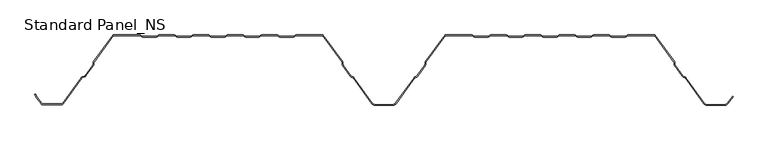
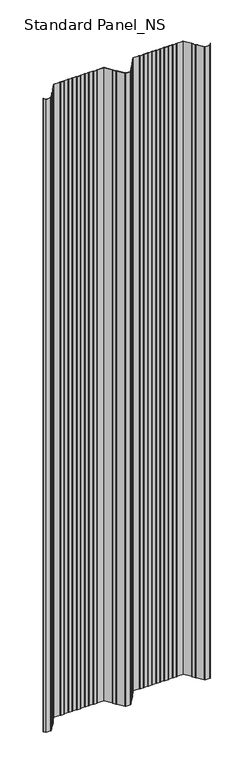
"""IFC4 building model written with IfcOpenShell, lengths in millimetres: proxy geometry, Standard Panel_NS."""

from ifc_helpers import new_model, si_unit, point, frame_2d, origin, origin_with_axes, place, context, project, spatial, polyline, circle_curve, trimmed, segment, composite_curve, outline, extrude, source, transform, mapped, element, save


def standard_panel_ns_f752abc9(model_context):
    return source(origin(), model_context, "Body", "SweptSolid", [
        extrude(outline(composite_curve([segment(polyline([(-477.8230656, -98.864737), (-484.391455, -89.8048897), (-486.5883845, -85.4014829), (-485.6935696, -84.9550455), (-483.5334489, -89.2846747), (-477.0134552, -98.2777695)]), True, "CONTINUOUS"), segment(trimmed(circle_curve(frame_2d((-475.5977664, -97.2513951)), 1.7486049), [point((-477.0134552, -98.2777695))], [point((-475.5977664, -99.0))], True, "CARTESIAN"), True, "CONTINUOUS"), segment(polyline([(-475.5977664, -99.0), (-448.4022336, -99.0)]), True, "CONTINUOUS"), segment(trimmed(circle_curve(frame_2d((-448.4022336, -97.2513951)), 1.7486049), [point((-448.4022336, -99.0))], [point((-446.9865448, -98.2777695))], True, "CARTESIAN"), True, "CONTINUOUS"), segment(polyline([(-446.9865448, -98.2777695), (-420.1908292, -61.3181617)]), True, "CONTINUOUS"), segment(trimmed(circle_curve(frame_2d((-417.96553, -62.9315037)), 2.7486049), [point((-420.1908292, -61.3181617))], [point((-418.9221697, -60.3547481))], False, "CARTESIAN"), True, "CONTINUOUS"), segment(polyline([(-418.9221697, -60.3547481), (-415.1284966, -58.9463185)]), True, "CONTINUOUS"), segment(trimmed(circle_curve(frame_2d((-415.7370908, -57.3070406)), 1.7486049), [point((-415.1284966, -58.9463185))], [point((-414.321402, -58.333415))], True, "CARTESIAN"), True, "CONTINUOUS"), segment(polyline([(-414.321402, -58.333415), (-403.5718646, -43.5064668)]), True, "CONTINUOUS"), segment(trimmed(circle_curve(frame_2d((-404.9875533, -42.4800924)), 1.7486049), [point((-403.5718646, -43.5064668))], [point((-403.240299, -42.5488047))], True, "CARTESIAN"), True, "CONTINUOUS"), segment(polyline([(-403.240299, -42.5488047), (-403.1521237, -40.3066321)]), True, "CONTINUOUS"), segment(trimmed(circle_curve(frame_2d((-400.4056417, -40.4146398)), 2.7486049), [point((-403.1521237, -40.3066321))], [point((-402.6309409, -38.8012978))], False, "CARTESIAN"), True, "CONTINUOUS"), segment(polyline([(-402.6309409, -38.8012978), (-374.5, 0.0), (-336.1655439, 0.0)]), True, "CONTINUOUS"), segment(trimmed(circle_curve(frame_2d((-336.1655439, -2.7486049)), 2.7486049), [point((-336.1655439, 0.0))], [point((-334.6408923, -0.4616274))], False, "CARTESIAN"), True, "CONTINUOUS"), segment(polyline([(-334.6408923, -0.4616274), (-332.7738498, -1.7063223)]), True, "CONTINUOUS"), segment(trimmed(circle_curve(frame_2d((-331.8038984, -0.2513951)), 1.7486049), [point((-332.7738498, -1.7063223))], [point((-331.8038984, -2.0))], True, "CARTESIAN"), True, "CONTINUOUS"), segment(polyline([(-331.8038984, -2.0), (-312.8627683, -2.0)]), True, "CONTINUOUS"), segment(trimmed(circle_curve(frame_2d((-312.8627683, -0.2513951)), 1.7486049), [point((-312.8627683, -2.0))], [point((-311.8928168, -1.7063223))], True, "CARTESIAN"), True, "CONTINUOUS"), segment(polyline([(-311.8928168, -1.7063223), (-310.0257744, -0.4616274)]), True, "CONTINUOUS"), segment(trimmed(circle_curve(frame_2d((-308.5011227, -2.7486049)), 2.7486049), [point((-310.0257744, -0.4616274))], [point((-308.5011227, 0.0))], False, "CARTESIAN"), True, "CONTINUOUS"), segment(polyline([(-308.5011227, 0.0), (-286.9988773, 0.0)]), True, "CONTINUOUS"), segment(trimmed(circle_curve(frame_2d((-286.9988773, -2.7486049)), 2.7486049), [point((-286.9988773, 0.0))], [point((-285.4742256, -0.4616274))], False, "CARTESIAN"), True, "CONTINUOUS"), segment(polyline([(-285.4742256, -0.4616274), (-283.6071832, -1.7063223)]), True, "CONTINUOUS"), segment(trimmed(circle_curve(frame_2d((-282.6372317, -0.2513951)), 1.7486049), [point((-283.6071832, -1.7063223))], [point((-282.6372317, -2.0))], True, "CARTESIAN"), True, "CONTINUOUS"), segment(polyline([(-282.6372317, -2.0), (-263.6961016, -2.0)]), True, "CONTINUOUS"), segment(trimmed(circle_curve(frame_2d((-263.6961016, -0.2513951)), 1.7486049), [point((-263.6961016, -2.0))], [point((-262.7261502, -1.7063223))], True, "CARTESIAN"), True, "CONTINUOUS"), segment(polyline([(-262.7261502, -1.7063223), (-260.8591077, -0.4616274)]), True, "CONTINUOUS"), segment(trimmed(circle_curve(frame_2d((-259.3344561, -2.7486049)), 2.7486049), [point((-260.8591077, -0.4616274))], [point((-259.3344561, 0.0))], False, "CARTESIAN"), True, "CONTINUOUS"), segment(polyline([(-259.3344561, 0.0), (-237.8322106, 0.0)]), True, "CONTINUOUS"), segment(trimmed(circle_curve(frame_2d((-237.8322106, -2.7486049)), 2.7486049), [point((-237.8322106, 0.0))], [point((-236.3075589, -0.4616274))], False, "CARTESIAN"), True, "CONTINUOUS"), segment(polyline([(-236.3075589, -0.4616274), (-234.4405165, -1.7063223)]), True, "CONTINUOUS"), segment(trimmed(circle_curve(frame_2d((-233.470565, -0.2513951)), 1.7486049), [point((-234.4405165, -1.7063223))], [point((-233.470565, -2.0))], True, "CARTESIAN"), True, "CONTINUOUS"), segment(polyline([(-233.470565, -2.0), (-214.529435, -2.0)]), True, "CONTINUOUS"), segment(trimmed(circle_curve(frame_2d((-214.529435, -0.2513951)), 1.7486049), [point((-214.529435, -2.0))], [point((-213.5594835, -1.7063223))], True, "CARTESIAN"), True, "CONTINUOUS"), segment(polyline([(-213.5594835, -1.7063223), (-211.6924411, -0.4616274)]), True, "CONTINUOUS"), segment(trimmed(circle_curve(frame_2d((-210.1677894, -2.7486049)), 2.7486049), [point((-211.6924411, -0.4616274))], [point((-210.1677894, 0.0))], False, "CARTESIAN"), True, "CONTINUOUS"), segment(polyline([(-210.1677894, 0.0), (-188.6655439, 0.0)]), True, "CONTINUOUS"), segment(trimmed(circle_curve(frame_2d((-188.6655439, -2.7486049)), 2.7486049), [point((-188.6655439, 0.0))], [point((-187.1408923, -0.4616274))], False, "CARTESIAN"), True, "CONTINUOUS"), segment(polyline([(-187.1408923, -0.4616274), (-185.2738498, -1.7063223)]), True, "CONTINUOUS"), segment(trimmed(circle_curve(frame_2d((-184.3038984, -0.2513951)), 1.7486049), [point((-185.2738498, -1.7063223))], [point((-184.3038984, -2.0))], True, "CARTESIAN"), True, "CONTINUOUS"), segment(polyline([(-184.3038984, -2.0), (-165.3627683, -2.0)]), True, "CONTINUOUS"), segment(trimmed(circle_curve(frame_2d((-165.3627683, -0.2513951)), 1.7486049), [point((-165.3627683, -2.0))], [point((-164.3928168, -1.7063223))], True, "CARTESIAN"), True, "CONTINUOUS"), segment(polyline([(-164.3928168, -1.7063223), (-162.5257744, -0.4616274)]), True, "CONTINUOUS"), segment(trimmed(circle_curve(frame_2d((-161.0011227, -2.7486049)), 2.7486049), [point((-162.5257744, -0.4616274))], [point((-161.0011227, 0.0))], False, "CARTESIAN"), True, "CONTINUOUS"), segment(polyline([(-161.0011227, 0.0), (-139.4988773, 0.0)]), True, "CONTINUOUS"), segment(trimmed(circle_curve(frame_2d((-139.4988773, -2.7486049)), 2.7486049), [point((-139.4988773, 0.0))], [point((-137.9742256, -0.4616274))], False, "CARTESIAN"), True, "CONTINUOUS"), segment(polyline([(-137.9742256, -0.4616274), (-136.1071832, -1.7063223)]), True, "CONTINUOUS"), segment(trimmed(circle_curve(frame_2d((-135.1372317, -0.2513951)), 1.7486049), [point((-136.1071832, -1.7063223))], [point((-135.1372317, -2.0))], True, "CARTESIAN"), True, "CONTINUOUS"), segment(polyline([(-135.1372317, -2.0), (-116.1961016, -2.0)]), True, "CONTINUOUS"), segment(trimmed(circle_curve(frame_2d((-116.1961016, -0.2513951)), 1.7486049), [point((-116.1961016, -2.0))], [point((-115.2261502, -1.7063223))], True, "CARTESIAN"), True, "CONTINUOUS"), segment(polyline([(-115.2261502, -1.7063223), (-113.3591077, -0.4616274)]), True, "CONTINUOUS"), segment(trimmed(circle_curve(frame_2d((-111.8344561, -2.7486049)), 2.7486049), [point((-113.3591077, -0.4616274))], [point((-111.8344561, 0.0))], False, "CARTESIAN"), True, "CONTINUOUS"), segment(polyline([(-111.8344561, 0.0), (-73.5, 0.0), (-45.3690591, -38.8012978)]), True, "CONTINUOUS"), segment(trimmed(circle_curve(frame_2d((-47.5943583, -40.4146398)), 2.7486049), [point((-45.3690591, -38.8012978))], [point((-44.8478763, -40.3066321))], False, "CARTESIAN"), True, "CONTINUOUS"), segment(polyline([(-44.8478763, -40.3066321), (-44.759701, -42.5488047)]), True, "CONTINUOUS"), segment(trimmed(circle_curve(frame_2d((-43.0124467, -42.4800924)), 1.7486049), [point((-44.759701, -42.5488047))], [point((-44.4281354, -43.5064668))], True, "CARTESIAN"), True, "CONTINUOUS"), segment(polyline([(-44.4281354, -43.5064668), (-33.3103063, -58.8414035)]), True, "CONTINUOUS"), segment(trimmed(circle_curve(frame_2d((-31.8946175, -57.8150291)), 1.7486049), [point((-33.3103063, -58.8414035))], [point((-32.5032117, -59.4543071))], True, "CARTESIAN"), True, "CONTINUOUS"), segment(polyline([(-32.5032117, -59.4543071), (-30.3996004, -60.2352885)]), True, "CONTINUOUS"), segment(trimmed(circle_curve(frame_2d((-31.3562402, -62.8120441)), 2.7486049), [point((-30.3996004, -60.2352885))], [point((-29.1309409, -61.1987022))], False, "CARTESIAN"), True, "CONTINUOUS"), segment(polyline([(-29.1309409, -61.1987022), (-2.4972426, -97.9348379)]), True, "CONTINUOUS"), segment(trimmed(circle_curve(frame_2d((1.5508097, -95.0)), 5.0), [point((-2.4972426, -97.9348379))], [point((1.5508097, -100.0))], True, "CARTESIAN"), True, "CONTINUOUS"), segment(polyline([(1.5508097, -100.0), (26.4491903, -100.0)]), True, "CONTINUOUS"), segment(trimmed(circle_curve(frame_2d((26.4491903, -95.0)), 5.0), [point((26.4491903, -100.0))], [point((30.4972426, -97.9348379))], True, "CARTESIAN"), True, "CONTINUOUS"), segment(polyline([(30.4972426, -97.9348379), (57.1309409, -61.1987022)]), True, "CONTINUOUS"), segment(trimmed(circle_curve(frame_2d((59.3562402, -62.8120441)), 2.7486049), [point((57.1309409, -61.1987022))], [point((58.3996004, -60.2352885))], False, "CARTESIAN"), True, "CONTINUOUS"), segment(polyline([(58.3996004, -60.2352885), (60.5032117, -59.4543071)]), True, "CONTINUOUS"), segment(trimmed(circle_curve(frame_2d((59.8946175, -57.8150291)), 1.7486049), [point((60.5032117, -59.4543071))], [point((61.3103063, -58.8414035))], True, "CARTESIAN"), True, "CONTINUOUS"), segment(polyline([(61.3103063, -58.8414035), (72.4281354, -43.5064668)]), True, "CONTINUOUS"), segment(trimmed(circle_curve(frame_2d((71.0124467, -42.4800924)), 1.7486049), [point((72.4281354, -43.5064668))], [point((72.759701, -42.5488047))], True, "CARTESIAN"), True, "CONTINUOUS"), segment(polyline([(72.759701, -42.5488047), (72.8478763, -40.3066321)]), True, "CONTINUOUS"), segment(trimmed(circle_curve(frame_2d((75.5943583, -40.4146398)), 2.7486049), [point((72.8478763, -40.3066321))], [point((73.3690591, -38.8012978))], False, "CARTESIAN"), True, "CONTINUOUS"), segment(polyline([(73.3690591, -38.8012978), (101.5, 0.0), (139.8344561, 0.0)]), True, "CONTINUOUS"), segment(trimmed(circle_curve(frame_2d((139.8344561, -2.7486049)), 2.7486049), [point((139.8344561, 0.0))], [point((141.3591077, -0.4616274))], False, "CARTESIAN"), True, "CONTINUOUS"), segment(polyline([(141.3591077, -0.4616274), (143.2261502, -1.7063223)]), True, "CONTINUOUS"), segment(trimmed(circle_curve(frame_2d((144.1961016, -0.2513951)), 1.7486049), [point((143.2261502, -1.7063223))], [point((144.1961016, -2.0))], True, "CARTESIAN"), True, "CONTINUOUS"), segment(polyline([(144.1961016, -2.0), (163.1372317, -2.0)]), True, "CONTINUOUS"), segment(trimmed(circle_curve(frame_2d((163.1372317, -0.2513951)), 1.7486049), [point((163.1372317, -2.0))], [point((164.1071832, -1.7063223))], True, "CARTESIAN"), True, "CONTINUOUS"), segment(polyline([(164.1071832, -1.7063223), (165.9742256, -0.4616274)]), True, "CONTINUOUS"), segment(trimmed(circle_curve(frame_2d((167.4988773, -2.7486049)), 2.7486049), [point((165.9742256, -0.4616274))], [point((167.4988773, 0.0))], False, "CARTESIAN"), True, "CONTINUOUS"), segment(polyline([(167.4988773, 0.0), (189.0011227, 0.0)]), True, "CONTINUOUS"), segment(trimmed(circle_curve(frame_2d((189.0011227, -2.7486049)), 2.7486049), [point((189.0011227, 0.0))], [point((190.5257744, -0.4616274))], False, "CARTESIAN"), True, "CONTINUOUS"), segment(polyline([(190.5257744, -0.4616274), (192.3928168, -1.7063223)]), True, "CONTINUOUS"), segment(trimmed(circle_curve(frame_2d((193.3627683, -0.2513951)), 1.7486049), [point((192.3928168, -1.7063223))], [point((193.3627683, -2.0))], True, "CARTESIAN"), True, "CONTINUOUS"), segment(polyline([(193.3627683, -2.0), (212.3038984, -2.0)]), True, "CONTINUOUS"), segment(trimmed(circle_curve(frame_2d((212.3038984, -0.2513951)), 1.7486049), [point((212.3038984, -2.0))], [point((213.2738498, -1.7063223))], True, "CARTESIAN"), True, "CONTINUOUS"), segment(polyline([(213.2738498, -1.7063223), (215.1408923, -0.4616274)]), True, "CONTINUOUS"), segment(trimmed(circle_curve(frame_2d((216.6655439, -2.7486049)), 2.7486049), [point((215.1408923, -0.4616274))], [point((216.6655439, 0.0))], False, "CARTESIAN"), True, "CONTINUOUS"), segment(polyline([(216.6655439, 0.0), (238.1677894, 0.0)]), True, "CONTINUOUS"), segment(trimmed(circle_curve(frame_2d((238.1677894, -2.7486049)), 2.7486049), [point((238.1677894, 0.0))], [point((239.6924411, -0.4616274))], False, "CARTESIAN"), True, "CONTINUOUS"), segment(polyline([(239.6924411, -0.4616274), (241.5594835, -1.7063223)]), True, "CONTINUOUS"), segment(trimmed(circle_curve(frame_2d((242.529435, -0.2513951)), 1.7486049), [point((241.5594835, -1.7063223))], [point((242.529435, -2.0))], True, "CARTESIAN"), True, "CONTINUOUS"), segment(polyline([(242.529435, -2.0), (261.470565, -2.0)]), True, "CONTINUOUS"), segment(trimmed(circle_curve(frame_2d((261.470565, -0.2513951)), 1.7486049), [point((261.470565, -2.0))], [point((262.4405165, -1.7063223))], True, "CARTESIAN"), True, "CONTINUOUS"), segment(polyline([(262.4405165, -1.7063223), (264.3075589, -0.4616274)]), True, "CONTINUOUS"), segment(trimmed(circle_curve(frame_2d((265.8322106, -2.7486049)), 2.7486049), [point((264.3075589, -0.4616274))], [point((265.8322106, 0.0))], False, "CARTESIAN"), True, "CONTINUOUS"), segment(polyline([(265.8322106, 0.0), (287.3344561, 0.0)]), True, "CONTINUOUS"), segment(trimmed(circle_curve(frame_2d((287.3344561, -2.7486049)), 2.7486049), [point((287.3344561, 0.0))], [point((288.8591077, -0.4616274))], False, "CARTESIAN"), True, "CONTINUOUS"), segment(polyline([(288.8591077, -0.4616274), (290.7261502, -1.7063223)]), True, "CONTINUOUS"), segment(trimmed(circle_curve(frame_2d((291.6961016, -0.2513951)), 1.7486049), [point((290.7261502, -1.7063223))], [point((291.6961016, -2.0))], True, "CARTESIAN"), True, "CONTINUOUS"), segment(polyline([(291.6961016, -2.0), (310.6372317, -2.0)]), True, "CONTINUOUS"), segment(trimmed(circle_curve(frame_2d((310.6372317, -0.2513951)), 1.7486049), [point((310.6372317, -2.0))], [point((311.6071832, -1.7063223))], True, "CARTESIAN"), True, "CONTINUOUS"), segment(polyline([(311.6071832, -1.7063223), (313.4742256, -0.4616274)]), True, "CONTINUOUS"), segment(trimmed(circle_curve(frame_2d((314.9988773, -2.7486049)), 2.7486049), [point((313.4742256, -0.4616274))], [point((314.9988773, 0.0))], False, "CARTESIAN"), True, "CONTINUOUS"), segment(polyline([(314.9988773, 0.0), (336.5011227, 0.0)]), True, "CONTINUOUS"), segment(trimmed(circle_curve(frame_2d((336.5011227, -2.7486049)), 2.7486049), [point((336.5011227, 0.0))], [point((338.0257744, -0.4616274))], False, "CARTESIAN"), True, "CONTINUOUS"), segment(polyline([(338.0257744, -0.4616274), (339.8928168, -1.7063223)]), True, "CONTINUOUS"), segment(trimmed(circle_curve(frame_2d((340.8627683, -0.2513951)), 1.7486049), [point((339.8928168, -1.7063223))], [point((340.8627683, -2.0))], True, "CARTESIAN"), True, "CONTINUOUS"), segment(polyline([(340.8627683, -2.0), (359.8038984, -2.0)]), True, "CONTINUOUS"), segment(trimmed(circle_curve(frame_2d((359.8038984, -0.2513951)), 1.7486049), [point((359.8038984, -2.0))], [point((360.7738498, -1.7063223))], True, "CARTESIAN"), True, "CONTINUOUS"), segment(polyline([(360.7738498, -1.7063223), (362.6408923, -0.4616274)]), True, "CONTINUOUS"), segment(trimmed(circle_curve(frame_2d((364.1655439, -2.7486049)), 2.7486049), [point((362.6408923, -0.4616274))], [point((364.1655439, 0.0))], False, "CARTESIAN"), True, "CONTINUOUS"), segment(polyline([(364.1655439, 0.0), (402.5, 0.0), (430.6309409, -38.8012978)]), True, "CONTINUOUS"), segment(trimmed(circle_curve(frame_2d((428.4056417, -40.4146398)), 2.7486049), [point((430.6309409, -38.8012978))], [point((431.1521237, -40.3066321))], False, "CARTESIAN"), True, "CONTINUOUS"), segment(polyline([(431.1521237, -40.3066321), (431.240299, -42.5488047)]), True, "CONTINUOUS"), segment(trimmed(circle_curve(frame_2d((432.9875533, -42.4800924)), 1.7486049), [point((431.240299, -42.5488047))], [point((431.5718646, -43.5064668))], True, "CARTESIAN"), True, "CONTINUOUS"), segment(polyline([(431.5718646, -43.5064668), (442.6896937, -58.8414035)]), True, "CONTINUOUS"), segment(trimmed(circle_curve(frame_2d((444.1053825, -57.8150291)), 1.7486049), [point((442.6896937, -58.8414035))], [point((443.4967883, -59.4543071))], True, "CARTESIAN"), True, "CONTINUOUS"), segment(polyline([(443.4967883, -59.4543071), (445.6003996, -60.2352885)]), True, "CONTINUOUS"), segment(trimmed(circle_curve(frame_2d((444.6437598, -62.8120441)), 2.7486049), [point((445.6003996, -60.2352885))], [point((446.8690591, -61.1987022))], False, "CARTESIAN"), True, "CONTINUOUS"), segment(polyline([(446.8690591, -61.1987022), (473.5027574, -97.9348379)]), True, "CONTINUOUS"), segment(trimmed(circle_curve(frame_2d((477.5508097, -95.0)), 5.0), [point((473.5027574, -97.9348379))], [point((477.5508097, -100.0))], True, "CARTESIAN"), True, "CONTINUOUS"), segment(polyline([(477.5508097, -100.0), (502.4491903, -100.0)]), True, "CONTINUOUS"), segment(trimmed(circle_curve(frame_2d((502.4491903, -95.0)), 5.0), [point((502.4491903, -100.0))], [point((506.4972426, -97.9348379))], True, "CARTESIAN"), True, "CONTINUOUS"), segment(polyline([(506.4972426, -97.9348379), (513.8045136, -87.8558433), (514.614124, -88.4428109), (507.306853, -98.5218054)]), True, "CONTINUOUS"), segment(trimmed(circle_curve(frame_2d((502.4491903, -95.0)), 6.0), [point((507.306853, -98.5218054))], [point((502.4491903, -101.0))], False, "CARTESIAN"), True, "CONTINUOUS"), segment(polyline([(502.4491903, -101.0), (477.5508097, -101.0)]), True, "CONTINUOUS"), segment(trimmed(circle_curve(frame_2d((477.5508097, -95.0)), 6.0), [point((477.5508097, -101.0))], [point((472.693147, -98.5218054))], False, "CARTESIAN"), True, "CONTINUOUS"), segment(polyline([(472.693147, -98.5218054), (446.0594486, -61.7856697)]), True, "CONTINUOUS"), segment(trimmed(circle_curve(frame_2d((444.6437598, -62.8120441)), 1.7486049), [point((446.0594486, -61.7856697))], [point((445.252354, -61.1727662))], True, "CARTESIAN"), True, "CONTINUOUS"), segment(polyline([(445.252354, -61.1727662), (443.1487427, -60.3917847)]), True, "CONTINUOUS"), segment(trimmed(circle_curve(frame_2d((444.1053825, -57.8150291)), 2.7486049), [point((443.1487427, -60.3917847))], [point((441.8800832, -59.4283711))], False, "CARTESIAN"), True, "CONTINUOUS"), segment(polyline([(441.8800832, -59.4283711), (430.7622541, -44.0934344)]), True, "CONTINUOUS"), segment(trimmed(circle_curve(frame_2d((432.9875533, -42.4800924)), 2.7486049), [point((430.7622541, -44.0934344))], [point((430.2410714, -42.5881001))], False, "CARTESIAN"), True, "CONTINUOUS"), segment(polyline([(430.2410714, -42.5881001), (430.152896, -40.3459275)]), True, "CONTINUOUS"), segment(trimmed(circle_curve(frame_2d((428.4056417, -40.4146398)), 1.7486049), [point((430.152896, -40.3459275))], [point((429.8213305, -39.3882654))], True, "CARTESIAN"), True, "CONTINUOUS"), segment(polyline([(429.8213305, -39.3882654), (401.9898381, -1.0), (364.1655439, -1.0)]), True, "CONTINUOUS"), segment(trimmed(circle_curve(frame_2d((364.1655439, -2.7486049)), 1.7486049), [point((364.1655439, -1.0))], [point((363.1955925, -1.2936777))], True, "CARTESIAN"), True, "CONTINUOUS"), segment(polyline([(363.1955925, -1.2936777), (361.32855, -2.5383726)]), True, "CONTINUOUS"), segment(trimmed(circle_curve(frame_2d((359.8038984, -0.2513951)), 2.7486049), [point((361.32855, -2.5383726))], [point((359.8038984, -3.0))], False, "CARTESIAN"), True, "CONTINUOUS"), segment(polyline([(359.8038984, -3.0), (340.8627683, -3.0)]), True, "CONTINUOUS"), segment(trimmed(circle_curve(frame_2d((340.8627683, -0.2513951)), 2.7486049), [point((340.8627683, -3.0))], [point((339.3381166, -2.5383726))], False, "CARTESIAN"), True, "CONTINUOUS"), segment(polyline([(339.3381166, -2.5383726), (337.4710742, -1.2936777)]), True, "CONTINUOUS"), segment(trimmed(circle_curve(frame_2d((336.5011227, -2.7486049)), 1.7486049), [point((337.4710742, -1.2936777))], [point((336.5011227, -1.0))], True, "CARTESIAN"), True, "CONTINUOUS"), segment(polyline([(336.5011227, -1.0), (314.9988773, -1.0)]), True, "CONTINUOUS"), segment(trimmed(circle_curve(frame_2d((314.9988773, -2.7486049)), 1.7486049), [point((314.9988773, -1.0))], [point((314.0289258, -1.2936777))], True, "CARTESIAN"), True, "CONTINUOUS"), segment(polyline([(314.0289258, -1.2936777), (312.1618834, -2.5383726)]), True, "CONTINUOUS"), segment(trimmed(circle_curve(frame_2d((310.6372317, -0.2513951)), 2.7486049), [point((312.1618834, -2.5383726))], [point((310.6372317, -3.0))], False, "CARTESIAN"), True, "CONTINUOUS"), segment(polyline([(310.6372317, -3.0), (291.6961016, -3.0)]), True, "CONTINUOUS"), segment(trimmed(circle_curve(frame_2d((291.6961016, -0.2513951)), 2.7486049), [point((291.6961016, -3.0))], [point((290.17145, -2.5383726))], False, "CARTESIAN"), True, "CONTINUOUS"), segment(polyline([(290.17145, -2.5383726), (288.3044075, -1.2936777)]), True, "CONTINUOUS"), segment(trimmed(circle_curve(frame_2d((287.3344561, -2.7486049)), 1.7486049), [point((288.3044075, -1.2936777))], [point((287.3344561, -1.0))], True, "CARTESIAN"), True, "CONTINUOUS"), segment(polyline([(287.3344561, -1.0), (265.8322106, -1.0)]), True, "CONTINUOUS"), segment(trimmed(circle_curve(frame_2d((265.8322106, -2.7486049)), 1.7486049), [point((265.8322106, -1.0))], [point((264.8622591, -1.2936777))], True, "CARTESIAN"), True, "CONTINUOUS"), segment(polyline([(264.8622591, -1.2936777), (262.9952167, -2.5383726)]), True, "CONTINUOUS"), segment(trimmed(circle_curve(frame_2d((261.470565, -0.2513951)), 2.7486049), [point((262.9952167, -2.5383726))], [point((261.470565, -3.0))], False, "CARTESIAN"), True, "CONTINUOUS"), segment(polyline([(261.470565, -3.0), (242.529435, -3.0)]), True, "CONTINUOUS"), segment(trimmed(circle_curve(frame_2d((242.529435, -0.2513951)), 2.7486049), [point((242.529435, -3.0))], [point((241.0047833, -2.5383726))], False, "CARTESIAN"), True, "CONTINUOUS"), segment(polyline([(241.0047833, -2.5383726), (239.1377409, -1.2936777)]), True, "CONTINUOUS"), segment(trimmed(circle_curve(frame_2d((238.1677894, -2.7486049)), 1.7486049), [point((239.1377409, -1.2936777))], [point((238.1677894, -1.0))], True, "CARTESIAN"), True, "CONTINUOUS"), segment(polyline([(238.1677894, -1.0), (216.6655439, -1.0)]), True, "CONTINUOUS"), segment(trimmed(circle_curve(frame_2d((216.6655439, -2.7486049)), 1.7486049), [point((216.6655439, -1.0))], [point((215.6955925, -1.2936777))], True, "CARTESIAN"), True, "CONTINUOUS"), segment(polyline([(215.6955925, -1.2936777), (213.82855, -2.5383726)]), True, "CONTINUOUS"), segment(trimmed(circle_curve(frame_2d((212.3038984, -0.2513951)), 2.7486049), [point((213.82855, -2.5383726))], [point((212.3038984, -3.0))], False, "CARTESIAN"), True, "CONTINUOUS"), segment(polyline([(212.3038984, -3.0), (193.3627683, -3.0)]), True, "CONTINUOUS"), segment(trimmed(circle_curve(frame_2d((193.3627683, -0.2513951)), 2.7486049), [point((193.3627683, -3.0))], [point((191.8381166, -2.5383726))], False, "CARTESIAN"), True, "CONTINUOUS"), segment(polyline([(191.8381166, -2.5383726), (189.9710742, -1.2936777)]), True, "CONTINUOUS"), segment(trimmed(circle_curve(frame_2d((189.0011227, -2.7486049)), 1.7486049), [point((189.9710742, -1.2936777))], [point((189.0011227, -1.0))], True, "CARTESIAN"), True, "CONTINUOUS"), segment(polyline([(189.0011227, -1.0), (167.4988773, -1.0)]), True, "CONTINUOUS"), segment(trimmed(circle_curve(frame_2d((167.4988773, -2.7486049)), 1.7486049), [point((167.4988773, -1.0))], [point((166.5289258, -1.2936777))], True, "CARTESIAN"), True, "CONTINUOUS"), segment(polyline([(166.5289258, -1.2936777), (164.6618834, -2.5383726)]), True, "CONTINUOUS"), segment(trimmed(circle_curve(frame_2d((163.1372317, -0.2513951)), 2.7486049), [point((164.6618834, -2.5383726))], [point((163.1372317, -3.0))], False, "CARTESIAN"), True, "CONTINUOUS"), segment(polyline([(163.1372317, -3.0), (144.1961016, -3.0)]), True, "CONTINUOUS"), segment(trimmed(circle_curve(frame_2d((144.1961016, -0.2513951)), 2.7486049), [point((144.1961016, -3.0))], [point((142.67145, -2.5383726))], False, "CARTESIAN"), True, "CONTINUOUS"), segment(polyline([(142.67145, -2.5383726), (140.8044075, -1.2936777)]), True, "CONTINUOUS"), segment(trimmed(circle_curve(frame_2d((139.8344561, -2.7486049)), 1.7486049), [point((140.8044075, -1.2936777))], [point((139.8344561, -1.0))], True, "CARTESIAN"), True, "CONTINUOUS"), segment(polyline([(139.8344561, -1.0), (102.0101619, -1.0), (74.1786695, -39.3882654)]), True, "CONTINUOUS"), segment(trimmed(circle_curve(frame_2d((75.5943583, -40.4146398)), 1.7486049), [point((74.1786695, -39.3882654))], [point((73.847104, -40.3459275))], True, "CARTESIAN"), True, "CONTINUOUS"), segment(polyline([(73.847104, -40.3459275), (73.7589286, -42.5881001)]), True, "CONTINUOUS"), segment(trimmed(circle_curve(frame_2d((71.0124467, -42.4800924)), 2.7486049), [point((73.7589286, -42.5881001))], [point((73.2377459, -44.0934344))], False, "CARTESIAN"), True, "CONTINUOUS"), segment(polyline([(73.2377459, -44.0934344), (62.1199168, -59.4283711)]), True, "CONTINUOUS"), segment(trimmed(circle_curve(frame_2d((59.8946175, -57.8150291)), 2.7486049), [point((62.1199168, -59.4283711))], [point((60.8512573, -60.3917847))], False, "CARTESIAN"), True, "CONTINUOUS"), segment(polyline([(60.8512573, -60.3917847), (58.747646, -61.1727662)]), True, "CONTINUOUS"), segment(trimmed(circle_curve(frame_2d((59.3562402, -62.8120441)), 1.7486049), [point((58.747646, -61.1727662))], [point((57.9405514, -61.7856697))], True, "CARTESIAN"), True, "CONTINUOUS"), segment(polyline([(57.9405514, -61.7856697), (31.306853, -98.5218054)]), True, "CONTINUOUS"), segment(trimmed(circle_curve(frame_2d((26.4491903, -95.0)), 6.0), [point((31.306853, -98.5218054))], [point((26.4491903, -101.0))], False, "CARTESIAN"), True, "CONTINUOUS"), segment(polyline([(26.4491903, -101.0), (1.5508097, -101.0)]), True, "CONTINUOUS"), segment(trimmed(circle_curve(frame_2d((1.5508097, -95.0)), 6.0), [point((1.5508097, -101.0))], [point((-3.306853, -98.5218054))], False, "CARTESIAN"), True, "CONTINUOUS"), segment(polyline([(-3.306853, -98.5218054), (-29.9405514, -61.7856697)]), True, "CONTINUOUS"), segment(trimmed(circle_curve(frame_2d((-31.3562402, -62.8120441)), 1.7486049), [point((-29.9405514, -61.7856697))], [point((-30.747646, -61.1727662))], True, "CARTESIAN"), True, "CONTINUOUS"), segment(polyline([(-30.747646, -61.1727662), (-32.8512573, -60.3917847)]), True, "CONTINUOUS"), segment(trimmed(circle_curve(frame_2d((-31.8946175, -57.8150291)), 2.7486049), [point((-32.8512573, -60.3917847))], [point((-34.1199168, -59.4283711))], False, "CARTESIAN"), True, "CONTINUOUS"), segment(polyline([(-34.1199168, -59.4283711), (-45.2377459, -44.0934344)]), True, "CONTINUOUS"), segment(trimmed(circle_curve(frame_2d((-43.0124467, -42.4800924)), 2.7486049), [point((-45.2377459, -44.0934344))], [point((-45.7589286, -42.5881001))], False, "CARTESIAN"), True, "CONTINUOUS"), segment(polyline([(-45.7589286, -42.5881001), (-45.847104, -40.3459275)]), True, "CONTINUOUS"), segment(trimmed(circle_curve(frame_2d((-47.5943583, -40.4146398)), 1.7486049), [point((-45.847104, -40.3459275))], [point((-46.1786695, -39.3882654))], True, "CARTESIAN"), True, "CONTINUOUS"), segment(polyline([(-46.1786695, -39.3882654), (-74.0101619, -1.0), (-111.8344561, -1.0)]), True, "CONTINUOUS"), segment(trimmed(circle_curve(frame_2d((-111.8344561, -2.7486049)), 1.7486049), [point((-111.8344561, -1.0))], [point((-112.8044075, -1.2936777))], True, "CARTESIAN"), True, "CONTINUOUS"), segment(polyline([(-112.8044075, -1.2936777), (-114.67145, -2.5383726)]), True, "CONTINUOUS"), segment(trimmed(circle_curve(frame_2d((-116.1961016, -0.2513951)), 2.7486049), [point((-114.67145, -2.5383726))], [point((-116.1961016, -3.0))], False, "CARTESIAN"), True, "CONTINUOUS"), segment(polyline([(-116.1961016, -3.0), (-135.1372317, -3.0)]), True, "CONTINUOUS"), segment(trimmed(circle_curve(frame_2d((-135.1372317, -0.2513951)), 2.7486049), [point((-135.1372317, -3.0))], [point((-136.6618834, -2.5383726))], False, "CARTESIAN"), True, "CONTINUOUS"), segment(polyline([(-136.6618834, -2.5383726), (-138.5289258, -1.2936777)]), True, "CONTINUOUS"), segment(trimmed(circle_curve(frame_2d((-139.4988773, -2.7486049)), 1.7486049), [point((-138.5289258, -1.2936777))], [point((-139.4988773, -1.0))], True, "CARTESIAN"), True, "CONTINUOUS"), segment(polyline([(-139.4988773, -1.0), (-161.0011227, -1.0)]), True, "CONTINUOUS"), segment(trimmed(circle_curve(frame_2d((-161.0011227, -2.7486049)), 1.7486049), [point((-161.0011227, -1.0))], [point((-161.9710742, -1.2936777))], True, "CARTESIAN"), True, "CONTINUOUS"), segment(polyline([(-161.9710742, -1.2936777), (-163.8381166, -2.5383726)]), True, "CONTINUOUS"), segment(trimmed(circle_curve(frame_2d((-165.3627683, -0.2513951)), 2.7486049), [point((-163.8381166, -2.5383726))], [point((-165.3627683, -3.0))], False, "CARTESIAN"), True, "CONTINUOUS"), segment(polyline([(-165.3627683, -3.0), (-184.3038984, -3.0)]), True, "CONTINUOUS"), segment(trimmed(circle_curve(frame_2d((-184.3038984, -0.2513951)), 2.7486049), [point((-184.3038984, -3.0))], [point((-185.82855, -2.5383726))], False, "CARTESIAN"), True, "CONTINUOUS"), segment(polyline([(-185.82855, -2.5383726), (-187.6955925, -1.2936777)]), True, "CONTINUOUS"), segment(trimmed(circle_curve(frame_2d((-188.6655439, -2.7486049)), 1.7486049), [point((-187.6955925, -1.2936777))], [point((-188.6655439, -1.0))], True, "CARTESIAN"), True, "CONTINUOUS"), segment(polyline([(-188.6655439, -1.0), (-210.1677894, -1.0)]), True, "CONTINUOUS"), segment(trimmed(circle_curve(frame_2d((-210.1677894, -2.7486049)), 1.7486049), [point((-210.1677894, -1.0))], [point((-211.1377409, -1.2936777))], True, "CARTESIAN"), True, "CONTINUOUS"), segment(polyline([(-211.1377409, -1.2936777), (-213.0047833, -2.5383726)]), True, "CONTINUOUS"), segment(trimmed(circle_curve(frame_2d((-214.529435, -0.2513951)), 2.7486049), [point((-213.0047833, -2.5383726))], [point((-214.529435, -3.0))], False, "CARTESIAN"), True, "CONTINUOUS"), segment(polyline([(-214.529435, -3.0), (-233.470565, -3.0)]), True, "CONTINUOUS"), segment(trimmed(circle_curve(frame_2d((-233.470565, -0.2513951)), 2.7486049), [point((-233.470565, -3.0))], [point((-234.9952167, -2.5383726))], False, "CARTESIAN"), True, "CONTINUOUS"), segment(polyline([(-234.9952167, -2.5383726), (-236.8622591, -1.2936777)]), True, "CONTINUOUS"), segment(trimmed(circle_curve(frame_2d((-237.8322106, -2.7486049)), 1.7486049), [point((-236.8622591, -1.2936777))], [point((-237.8322106, -1.0))], True, "CARTESIAN"), True, "CONTINUOUS"), segment(polyline([(-237.8322106, -1.0), (-259.3344561, -1.0)]), True, "CONTINUOUS"), segment(trimmed(circle_curve(frame_2d((-259.3344561, -2.7486049)), 1.7486049), [point((-259.3344561, -1.0))], [point((-260.3044075, -1.2936777))], True, "CARTESIAN"), True, "CONTINUOUS"), segment(polyline([(-260.3044075, -1.2936777), (-262.17145, -2.5383726)]), True, "CONTINUOUS"), segment(trimmed(circle_curve(frame_2d((-263.6961016, -0.2513951)), 2.7486049), [point((-262.17145, -2.5383726))], [point((-263.6961016, -3.0))], False, "CARTESIAN"), True, "CONTINUOUS"), segment(polyline([(-263.6961016, -3.0), (-282.6372317, -3.0)]), True, "CONTINUOUS"), segment(trimmed(circle_curve(frame_2d((-282.6372317, -0.2513951)), 2.7486049), [point((-282.6372317, -3.0))], [point((-284.1618834, -2.5383726))], False, "CARTESIAN"), True, "CONTINUOUS"), segment(polyline([(-284.1618834, -2.5383726), (-286.0289258, -1.2936777)]), True, "CONTINUOUS"), segment(trimmed(circle_curve(frame_2d((-286.9988773, -2.7486049)), 1.7486049), [point((-286.0289258, -1.2936777))], [point((-286.9988773, -1.0))], True, "CARTESIAN"), True, "CONTINUOUS"), segment(polyline([(-286.9988773, -1.0), (-308.5011227, -1.0)]), True, "CONTINUOUS"), segment(trimmed(circle_curve(frame_2d((-308.5011227, -2.7486049)), 1.7486049), [point((-308.5011227, -1.0))], [point((-309.4710742, -1.2936777))], True, "CARTESIAN"), True, "CONTINUOUS"), segment(polyline([(-309.4710742, -1.2936777), (-311.3381166, -2.5383726)]), True, "CONTINUOUS"), segment(trimmed(circle_curve(frame_2d((-312.8627683, -0.2513951)), 2.7486049), [point((-311.3381166, -2.5383726))], [point((-312.8627683, -3.0))], False, "CARTESIAN"), True, "CONTINUOUS"), segment(polyline([(-312.8627683, -3.0), (-331.8038984, -3.0)]), True, "CONTINUOUS"), segment(trimmed(circle_curve(frame_2d((-331.8038984, -0.2513951)), 2.7486049), [point((-331.8038984, -3.0))], [point((-333.32855, -2.5383726))], False, "CARTESIAN"), True, "CONTINUOUS"), segment(polyline([(-333.32855, -2.5383726), (-335.1955925, -1.2936777)]), True, "CONTINUOUS"), segment(trimmed(circle_curve(frame_2d((-336.1655439, -2.7486049)), 1.7486049), [point((-335.1955925, -1.2936777))], [point((-336.1655439, -1.0))], True, "CARTESIAN"), True, "CONTINUOUS"), segment(polyline([(-336.1655439, -1.0), (-373.9898381, -1.0), (-401.8213305, -39.3882654)]), True, "CONTINUOUS"), segment(trimmed(circle_curve(frame_2d((-400.4056417, -40.4146398)), 1.7486049), [point((-401.8213305, -39.3882654))], [point((-402.152896, -40.3459275))], True, "CARTESIAN"), True, "CONTINUOUS"), segment(polyline([(-402.152896, -40.3459275), (-402.2410714, -42.5881001)]), True, "CONTINUOUS"), segment(trimmed(circle_curve(frame_2d((-404.9875533, -42.4800924)), 2.7486049), [point((-402.2410714, -42.5881001))], [point((-402.7622541, -44.0934344))], False, "CARTESIAN"), True, "CONTINUOUS"), segment(polyline([(-402.7622541, -44.0934344), (-413.5117915, -58.9203825)]), True, "CONTINUOUS"), segment(trimmed(circle_curve(frame_2d((-415.7370908, -57.3070406)), 2.7486049), [point((-413.5117915, -58.9203825))], [point((-414.780451, -59.8837962))], False, "CARTESIAN"), True, "CONTINUOUS"), segment(polyline([(-414.780451, -59.8837962), (-418.5741242, -61.2922257)]), True, "CONTINUOUS"), segment(trimmed(circle_curve(frame_2d((-417.96553, -62.9315037)), 1.7486049), [point((-418.5741242, -61.2922257))], [point((-419.3812187, -61.9051293))], True, "CARTESIAN"), True, "CONTINUOUS"), segment(polyline([(-419.3812187, -61.9051293), (-446.1769344, -98.864737)]), True, "CONTINUOUS"), segment(trimmed(circle_curve(frame_2d((-448.4022336, -97.2513951)), 2.7486049), [point((-446.1769344, -98.864737))], [point((-448.4022336, -100.0))], False, "CARTESIAN"), True, "CONTINUOUS"), segment(polyline([(-448.4022336, -100.0), (-475.5977664, -100.0)]), True, "CONTINUOUS"), segment(trimmed(circle_curve(frame_2d((-475.5977664, -97.2513951)), 2.7486049), [point((-475.5977664, -100.0))], [point((-477.8230656, -98.864737))], False, "CARTESIAN"), True, "CONTINUOUS")], self_intersect=False)), origin_with_axes(), (0.0, 0.0, 1.0), 4000.0),
    ])


if __name__ == "__main__":
    model = new_model("IFC4")
    model_context = context("Model", 3, world=origin())
    ifc_project = project(units=[si_unit("LENGTHUNIT", "METRE", prefix="MILLI")], contexts=[model_context])
    site = spatial("IfcSite", under=ifc_project)
    building = spatial("IfcBuilding", under=site)
    placement = place(None, origin())
    standard_panel_ns_shape = standard_panel_ns_f752abc9(model_context)
    element("IfcBuildingElementProxy", 1, Name="Standard Panel_NS", ObjectType="Standard Panel_NS", at=placement, inside=building, context=model_context, shape_type="MappedRepresentation", body=[
        mapped(standard_panel_ns_shape, transform((0.0, 0.0, 0.0), x_axis=(1.0, 0.0, 0.0), y_axis=(0.0, 1.0, 0.0), z_axis=(0.0, 0.0, 1.0))),
    ])
    save(model, "model.ifc")
